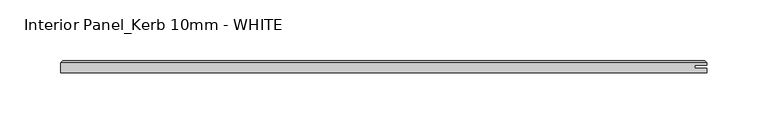
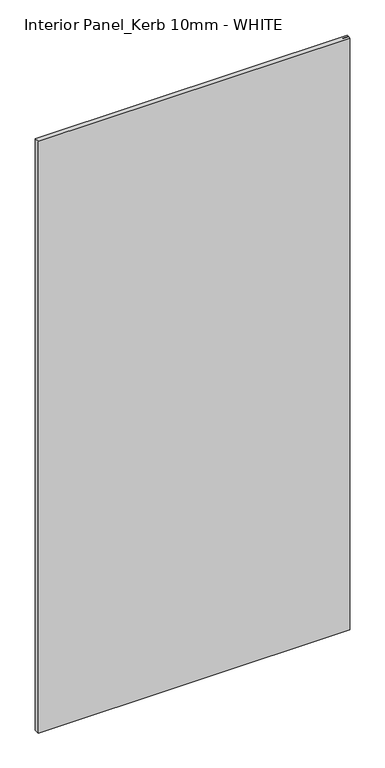
"""IFC4 building model written with IfcOpenShell, lengths in millimetres: proxy geometry, Interior Panel_Kerb 10mm - WHITE."""

from ifc_helpers import new_model, si_unit, origin, place, context, project, spatial, faceted_brep, source, transform, mapped, element, save


def interior_panel_kerb_10mm_white_58cf8b28(model_context):
    return source(origin(), model_context, "Body", "Brep", [
        faceted_brep([(457.2, -3.175, 1063.625), (457.2, 0.5207, 1063.625), (447.3773437, 0.5207, 1063.625), (447.3773437, 2.6543, 1063.625), (457.2, 2.6543, 1063.625), (457.2, 4.7625, 1063.625), (-73.025, 4.7625, 1063.625), (-73.025, -3.175, 1063.625), (457.2, -3.175, 0.0), (-73.025, -3.175, 0.0), (-73.025, 4.7625, 0.0), (457.2, 4.7625, 0.0), (457.2, 2.6543, 0.0), (447.3773437, 2.6543, 0.0), (447.3773437, 0.5207, 0.0), (457.2, 0.5207, 0.0), (-71.4375, 6.35, 1062.0375), (455.6125, 6.35, 1062.0375), (455.6125, 6.35, 1.5875), (-71.4375, 6.35, 1.5875)], [[[0, 1, 2, 3, 4, 5, 6, 7]], [[8, 9, 10, 11, 12, 13, 14, 15]], [[7, 9, 8, 0]], [[6, 10, 9, 7]], [[16, 17, 18, 19]], [[4, 12, 11, 5]], [[6, 16, 19, 10]], [[11, 18, 17, 5]], [[5, 17, 16, 6]], [[10, 19, 18, 11]], [[3, 13, 12, 4]], [[2, 14, 13, 3]], [[1, 15, 14, 2]], [[0, 8, 15, 1]]]),
    ])


if __name__ == "__main__":
    model = new_model("IFC4")
    model_context = context("Model", 3, world=origin())
    ifc_project = project(units=[si_unit("LENGTHUNIT", "METRE", prefix="MILLI")], contexts=[model_context])
    site = spatial("IfcSite", under=ifc_project)
    building = spatial("IfcBuilding", under=site)
    placement = place(None, origin())
    interior_panel_kerb_10mm_white_shape = interior_panel_kerb_10mm_white_58cf8b28(model_context)
    element("IfcBuildingElementProxy", 1, Name="Interior Panel_Kerb 10mm - WHITE", ObjectType="Interior Panel_Kerb 10mm - WHITE", at=placement, inside=building, context=model_context, shape_type="MappedRepresentation", body=[
        mapped(interior_panel_kerb_10mm_white_shape, transform((0.0, 0.0, 0.0), x_axis=(1.0, 0.0, 0.0), y_axis=(0.0, 1.0, 0.0), z_axis=(0.0, 0.0, 1.0))),
    ])
    save(model, "model.ifc")
